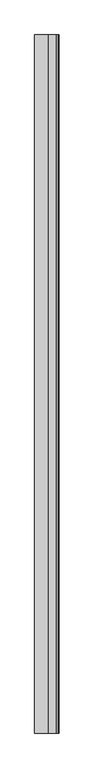
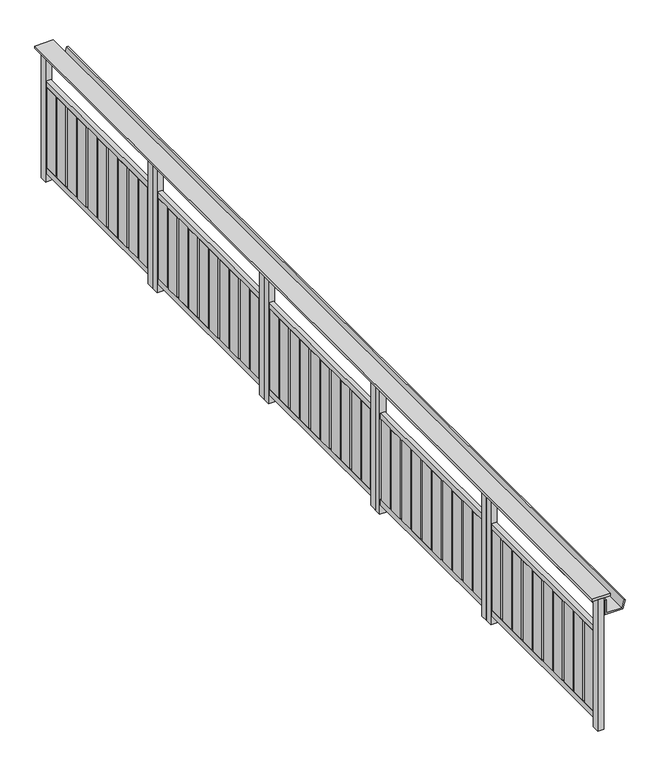
"""IFC4 building model written with IfcOpenShell, lengths in millimetres: railing geometry."""

from ifc_helpers import new_model, si_unit, point, frame, frame_2d, origin, origin_with_axes, place, context, project, spatial, polyline, circle_curve, trimmed, segment, composite_curve, outline, extrude, source, transform, mapped, element, save


def railing_12201088(model_context):
    return source(origin(), model_context, "Body", "SweptSolid", [
        extrude(outline(polyline([(3720.5303378, -25760.8033767), (3600.5303378, -25760.8033767), (3600.5303378, -19510.8033767), (3720.5303378, -19510.8033767), (3720.5303378, -25760.8033767)])), frame((0.0, 0.0, 899.8828423), z_axis=(0.0, 0.0, 1.0), x_axis=(1.0, 0.0, 0.0)), (0.0, 0.0, 1.0), 15.1171577),
        extrude(outline(polyline([(780.0, 3685.5303378), (780.0, 3802.7382617), (836.340031, 3817.8345275), (838.9282214, 3808.1752692), (790.0, 3795.0649918), (790.0, 3695.5303378), (880.0, 3695.5303378), (880.0, 3685.5303378), (780.0, 3685.5303378)])), frame((0.0, -25760.8033767, 0.0), z_axis=(0.0, 1.0, 0.0), x_axis=(0.0, 0.0, 1.0)), (0.0, 0.0, 1.0), 6250.0),
        extrude(outline(composite_curve([segment(polyline([(3645.5303378, -20605.8090604), (3664.3686376, -20605.8090604)]), True, "CONTINUOUS"), segment(trimmed(circle_curve(frame_2d((3788.844032, -20653.3094156)), 133.2306554), [point((3664.3686376, -20605.8090604))], [point((3664.3686376, -20700.8097709))], True, "CARTESIAN"), True, "CONTINUOUS"), segment(polyline([(3664.3686376, -20700.8097709), (3645.5303378, -20700.8097709), (3645.5303378, -20605.8090604)]), True, "CONTINUOUS")], self_intersect=False)), frame((0.0, 0.0, 100.0), z_axis=(0.0, 0.0, 1.0), x_axis=(1.0, 0.0, 0.0)), (0.0, 0.0, 1.0), 550.0),
        extrude(outline(composite_curve([segment(polyline([(3645.5303378, -20375.8076395), (3664.3686376, -20375.8076395)]), True, "CONTINUOUS"), segment(trimmed(circle_curve(frame_2d((3788.844032, -20423.3079947)), 133.2306554), [point((3664.3686376, -20375.8076395))], [point((3664.3686376, -20470.8083499))], True, "CARTESIAN"), True, "CONTINUOUS"), segment(polyline([(3664.3686376, -20470.8083499), (3645.5303378, -20470.8083499), (3645.5303378, -20375.8076395)]), True, "CONTINUOUS")], self_intersect=False)), frame((0.0, 0.0, 100.0), z_axis=(0.0, 0.0, 1.0), x_axis=(1.0, 0.0, 0.0)), (0.0, 0.0, 1.0), 550.0),
        extrude(outline(composite_curve([segment(polyline([(3645.5303378, -20145.8062185), (3664.3686376, -20145.8062185)]), True, "CONTINUOUS"), segment(trimmed(circle_curve(frame_2d((3788.844032, -20193.3065738)), 133.2306554), [point((3664.3686376, -20145.8062185))], [point((3664.3686376, -20240.806929))], True, "CARTESIAN"), True, "CONTINUOUS"), segment(polyline([(3664.3686376, -20240.806929), (3645.5303378, -20240.806929), (3645.5303378, -20145.8062185)]), True, "CONTINUOUS")], self_intersect=False)), frame((0.0, 0.0, 100.0), z_axis=(0.0, 0.0, 1.0), x_axis=(1.0, 0.0, 0.0)), (0.0, 0.0, 1.0), 550.0),
        extrude(outline(composite_curve([segment(polyline([(3645.5303378, -19915.8047976), (3664.3686376, -19915.8047976)]), True, "CONTINUOUS"), segment(trimmed(circle_curve(frame_2d((3788.844032, -19963.3051528)), 133.2306554), [point((3664.3686376, -19915.8047976))], [point((3664.3686376, -20010.8055081))], True, "CARTESIAN"), True, "CONTINUOUS"), segment(polyline([(3664.3686376, -20010.8055081), (3645.5303378, -20010.8055081), (3645.5303378, -19915.8047976)]), True, "CONTINUOUS")], self_intersect=False)), frame((0.0, 0.0, 100.0), z_axis=(0.0, 0.0, 1.0), x_axis=(1.0, 0.0, 0.0)), (0.0, 0.0, 1.0), 550.0),
        extrude(outline(composite_curve([segment(polyline([(3645.5303378, -19685.8033767), (3664.3686376, -19685.8033767)]), True, "CONTINUOUS"), segment(trimmed(circle_curve(frame_2d((3788.844032, -19733.3037319)), 133.2306554), [point((3664.3686376, -19685.8033767))], [point((3664.3686376, -19780.8040871))], True, "CARTESIAN"), True, "CONTINUOUS"), segment(polyline([(3664.3686376, -19780.8040871), (3645.5303378, -19780.8040871), (3645.5303378, -19685.8033767)]), True, "CONTINUOUS")], self_intersect=False)), frame((0.0, 0.0, 100.0), z_axis=(0.0, 0.0, 1.0), x_axis=(1.0, 0.0, 0.0)), (0.0, 0.0, 1.0), 550.0),
        extrude(outline(composite_curve([segment(polyline([(3645.5303378, -20490.8083499), (3664.3686376, -20490.8083499)]), True, "CONTINUOUS"), segment(trimmed(circle_curve(frame_2d((3788.844032, -20538.3087052)), 133.2306554), [point((3664.3686376, -20490.8083499))], [point((3664.3686376, -20585.8090604))], True, "CARTESIAN"), True, "CONTINUOUS"), segment(polyline([(3664.3686376, -20585.8090604), (3645.5303378, -20585.8090604), (3645.5303378, -20490.8083499)]), True, "CONTINUOUS")], self_intersect=False)), frame((0.0, 0.0, 100.0), z_axis=(0.0, 0.0, 1.0), x_axis=(1.0, 0.0, 0.0)), (0.0, 0.0, 1.0), 550.0),
        extrude(outline(composite_curve([segment(polyline([(3645.5303378, -20260.806929), (3664.3686376, -20260.806929)]), True, "CONTINUOUS"), segment(trimmed(circle_curve(frame_2d((3788.844032, -20308.3072842)), 133.2306554), [point((3664.3686376, -20260.806929))], [point((3664.3686376, -20355.8076395))], True, "CARTESIAN"), True, "CONTINUOUS"), segment(polyline([(3664.3686376, -20355.8076395), (3645.5303378, -20355.8076395), (3645.5303378, -20260.806929)]), True, "CONTINUOUS")], self_intersect=False)), frame((0.0, 0.0, 100.0), z_axis=(0.0, 0.0, 1.0), x_axis=(1.0, 0.0, 0.0)), (0.0, 0.0, 1.0), 550.0),
        extrude(outline(composite_curve([segment(polyline([(3645.5303378, -20030.8055081), (3664.3686376, -20030.8055081)]), True, "CONTINUOUS"), segment(trimmed(circle_curve(frame_2d((3788.844032, -20078.3058633)), 133.2306554), [point((3664.3686376, -20030.8055081))], [point((3664.3686376, -20125.8062185))], True, "CARTESIAN"), True, "CONTINUOUS"), segment(polyline([(3664.3686376, -20125.8062185), (3645.5303378, -20125.8062185), (3645.5303378, -20030.8055081)]), True, "CONTINUOUS")], self_intersect=False)), frame((0.0, 0.0, 100.0), z_axis=(0.0, 0.0, 1.0), x_axis=(1.0, 0.0, 0.0)), (0.0, 0.0, 1.0), 550.0),
        extrude(outline(composite_curve([segment(polyline([(3645.5303378, -19800.8040871), (3664.3686376, -19800.8040871)]), True, "CONTINUOUS"), segment(trimmed(circle_curve(frame_2d((3788.844032, -19848.3044424)), 133.2306554), [point((3664.3686376, -19800.8040871))], [point((3664.3686376, -19895.8047976))], True, "CARTESIAN"), True, "CONTINUOUS"), segment(polyline([(3664.3686376, -19895.8047976), (3645.5303378, -19895.8047976), (3645.5303378, -19800.8040871)]), True, "CONTINUOUS")], self_intersect=False)), frame((0.0, 0.0, 100.0), z_axis=(0.0, 0.0, 1.0), x_axis=(1.0, 0.0, 0.0)), (0.0, 0.0, 1.0), 550.0),
        extrude(outline(composite_curve([segment(polyline([(3645.5303378, -19570.8026662), (3664.3686376, -19570.8026662)]), True, "CONTINUOUS"), segment(trimmed(circle_curve(frame_2d((3788.844032, -19618.3030214)), 133.2306554), [point((3664.3686376, -19570.8026662))], [point((3664.3686376, -19665.8033767))], True, "CARTESIAN"), True, "CONTINUOUS"), segment(polyline([(3664.3686376, -19665.8033767), (3645.5303378, -19665.8033767), (3645.5303378, -19570.8026662)]), True, "CONTINUOUS")], self_intersect=False)), frame((0.0, 0.0, 100.0), z_axis=(0.0, 0.0, 1.0), x_axis=(1.0, 0.0, 0.0)), (0.0, 0.0, 1.0), 550.0),
        extrude(outline(polyline([(3675.5303378, -19560.8026662), (3675.5303378, -20710.8030382), (3645.5303378, -20710.8030382), (3645.5303378, -19560.8026662), (3675.5303378, -19560.8026662)])), frame((0.0, 0.0, 649.9990226), z_axis=(0.0, 0.0, 1.0), x_axis=(1.0, 0.0, 0.0)), (0.0, 0.0, 1.0), 40.0009774),
        extrude(outline(polyline([(3675.5303378, -19560.8026662), (3675.5303378, -20710.8030382), (3645.5303378, -20710.8030382), (3645.5303378, -19560.8026662), (3675.5303378, -19560.8026662)])), frame((0.0, 0.0, 60.0), z_axis=(0.0, 0.0, 1.0), x_axis=(1.0, 0.0, 0.0)), (0.0, 0.0, 1.0), 40.0),
        extrude(outline(polyline([(3680.5303378, -19510.8033767), (3680.5303378, -19560.8033767), (3640.5303378, -19560.8033767), (3640.5303378, -19510.8033767), (3680.5303378, -19510.8033767)])), origin_with_axes(), (0.0, 0.0, 1.0), 900.0),
        extrude(outline(polyline([(3680.5303378, -20710.8030382), (3680.5303378, -20760.8030382), (3640.5303378, -20760.8030382), (3640.5303378, -20710.8030382), (3680.5303378, -20710.8030382)])), origin_with_axes(), (0.0, 0.0, 1.0), 900.0),
        extrude(outline(composite_curve([segment(polyline([(3645.5303378, -21856.8090604), (3664.3686376, -21856.8090604)]), True, "CONTINUOUS"), segment(trimmed(circle_curve(frame_2d((3788.844032, -21904.3094156)), 133.2306554), [point((3664.3686376, -21856.8090604))], [point((3664.3686376, -21951.8097709))], True, "CARTESIAN"), True, "CONTINUOUS"), segment(polyline([(3664.3686376, -21951.8097709), (3645.5303378, -21951.8097709), (3645.5303378, -21856.8090604)]), True, "CONTINUOUS")], self_intersect=False)), frame((0.0, 0.0, 100.0), z_axis=(0.0, 0.0, 1.0), x_axis=(1.0, 0.0, 0.0)), (0.0, 0.0, 1.0), 550.0),
        extrude(outline(composite_curve([segment(polyline([(3645.5303378, -21626.8076395), (3664.3686376, -21626.8076395)]), True, "CONTINUOUS"), segment(trimmed(circle_curve(frame_2d((3788.844032, -21674.3079947)), 133.2306554), [point((3664.3686376, -21626.8076395))], [point((3664.3686376, -21721.8083499))], True, "CARTESIAN"), True, "CONTINUOUS"), segment(polyline([(3664.3686376, -21721.8083499), (3645.5303378, -21721.8083499), (3645.5303378, -21626.8076395)]), True, "CONTINUOUS")], self_intersect=False)), frame((0.0, 0.0, 100.0), z_axis=(0.0, 0.0, 1.0), x_axis=(1.0, 0.0, 0.0)), (0.0, 0.0, 1.0), 550.0),
        extrude(outline(composite_curve([segment(polyline([(3645.5303378, -21396.8062185), (3664.3686376, -21396.8062185)]), True, "CONTINUOUS"), segment(trimmed(circle_curve(frame_2d((3788.844032, -21444.3065738)), 133.2306554), [point((3664.3686376, -21396.8062185))], [point((3664.3686376, -21491.806929))], True, "CARTESIAN"), True, "CONTINUOUS"), segment(polyline([(3664.3686376, -21491.806929), (3645.5303378, -21491.806929), (3645.5303378, -21396.8062185)]), True, "CONTINUOUS")], self_intersect=False)), frame((0.0, 0.0, 100.0), z_axis=(0.0, 0.0, 1.0), x_axis=(1.0, 0.0, 0.0)), (0.0, 0.0, 1.0), 550.0),
        extrude(outline(composite_curve([segment(polyline([(3645.5303378, -21166.8047976), (3664.3686376, -21166.8047976)]), True, "CONTINUOUS"), segment(trimmed(circle_curve(frame_2d((3788.844032, -21214.3051528)), 133.2306554), [point((3664.3686376, -21166.8047976))], [point((3664.3686376, -21261.8055081))], True, "CARTESIAN"), True, "CONTINUOUS"), segment(polyline([(3664.3686376, -21261.8055081), (3645.5303378, -21261.8055081), (3645.5303378, -21166.8047976)]), True, "CONTINUOUS")], self_intersect=False)), frame((0.0, 0.0, 100.0), z_axis=(0.0, 0.0, 1.0), x_axis=(1.0, 0.0, 0.0)), (0.0, 0.0, 1.0), 550.0),
        extrude(outline(composite_curve([segment(polyline([(3645.5303378, -20936.8033767), (3664.3686376, -20936.8033767)]), True, "CONTINUOUS"), segment(trimmed(circle_curve(frame_2d((3788.844032, -20984.3037319)), 133.2306554), [point((3664.3686376, -20936.8033767))], [point((3664.3686376, -21031.8040871))], True, "CARTESIAN"), True, "CONTINUOUS"), segment(polyline([(3664.3686376, -21031.8040871), (3645.5303378, -21031.8040871), (3645.5303378, -20936.8033767)]), True, "CONTINUOUS")], self_intersect=False)), frame((0.0, 0.0, 100.0), z_axis=(0.0, 0.0, 1.0), x_axis=(1.0, 0.0, 0.0)), (0.0, 0.0, 1.0), 550.0),
        extrude(outline(composite_curve([segment(polyline([(3645.5303378, -21741.8083499), (3664.3686376, -21741.8083499)]), True, "CONTINUOUS"), segment(trimmed(circle_curve(frame_2d((3788.844032, -21789.3087052)), 133.2306554), [point((3664.3686376, -21741.8083499))], [point((3664.3686376, -21836.8090604))], True, "CARTESIAN"), True, "CONTINUOUS"), segment(polyline([(3664.3686376, -21836.8090604), (3645.5303378, -21836.8090604), (3645.5303378, -21741.8083499)]), True, "CONTINUOUS")], self_intersect=False)), frame((0.0, 0.0, 100.0), z_axis=(0.0, 0.0, 1.0), x_axis=(1.0, 0.0, 0.0)), (0.0, 0.0, 1.0), 550.0),
        extrude(outline(composite_curve([segment(polyline([(3645.5303378, -21511.806929), (3664.3686376, -21511.806929)]), True, "CONTINUOUS"), segment(trimmed(circle_curve(frame_2d((3788.844032, -21559.3072842)), 133.2306554), [point((3664.3686376, -21511.806929))], [point((3664.3686376, -21606.8076395))], True, "CARTESIAN"), True, "CONTINUOUS"), segment(polyline([(3664.3686376, -21606.8076395), (3645.5303378, -21606.8076395), (3645.5303378, -21511.806929)]), True, "CONTINUOUS")], self_intersect=False)), frame((0.0, 0.0, 100.0), z_axis=(0.0, 0.0, 1.0), x_axis=(1.0, 0.0, 0.0)), (0.0, 0.0, 1.0), 550.0),
        extrude(outline(composite_curve([segment(polyline([(3645.5303378, -21281.8055081), (3664.3686376, -21281.8055081)]), True, "CONTINUOUS"), segment(trimmed(circle_curve(frame_2d((3788.844032, -21329.3058633)), 133.2306554), [point((3664.3686376, -21281.8055081))], [point((3664.3686376, -21376.8062185))], True, "CARTESIAN"), True, "CONTINUOUS"), segment(polyline([(3664.3686376, -21376.8062185), (3645.5303378, -21376.8062185), (3645.5303378, -21281.8055081)]), True, "CONTINUOUS")], self_intersect=False)), frame((0.0, 0.0, 100.0), z_axis=(0.0, 0.0, 1.0), x_axis=(1.0, 0.0, 0.0)), (0.0, 0.0, 1.0), 550.0),
        extrude(outline(composite_curve([segment(polyline([(3645.5303378, -21051.8040871), (3664.3686376, -21051.8040871)]), True, "CONTINUOUS"), segment(trimmed(circle_curve(frame_2d((3788.844032, -21099.3044424)), 133.2306554), [point((3664.3686376, -21051.8040871))], [point((3664.3686376, -21146.8047976))], True, "CARTESIAN"), True, "CONTINUOUS"), segment(polyline([(3664.3686376, -21146.8047976), (3645.5303378, -21146.8047976), (3645.5303378, -21051.8040871)]), True, "CONTINUOUS")], self_intersect=False)), frame((0.0, 0.0, 100.0), z_axis=(0.0, 0.0, 1.0), x_axis=(1.0, 0.0, 0.0)), (0.0, 0.0, 1.0), 550.0),
        extrude(outline(composite_curve([segment(polyline([(3645.5303378, -20821.8026662), (3664.3686376, -20821.8026662)]), True, "CONTINUOUS"), segment(trimmed(circle_curve(frame_2d((3788.844032, -20869.3030214)), 133.2306554), [point((3664.3686376, -20821.8026662))], [point((3664.3686376, -20916.8033767))], True, "CARTESIAN"), True, "CONTINUOUS"), segment(polyline([(3664.3686376, -20916.8033767), (3645.5303378, -20916.8033767), (3645.5303378, -20821.8026662)]), True, "CONTINUOUS")], self_intersect=False)), frame((0.0, 0.0, 100.0), z_axis=(0.0, 0.0, 1.0), x_axis=(1.0, 0.0, 0.0)), (0.0, 0.0, 1.0), 550.0),
        extrude(outline(polyline([(3675.5303378, -20811.8026662), (3675.5303378, -21961.8030382), (3645.5303378, -21961.8030382), (3645.5303378, -20811.8026662), (3675.5303378, -20811.8026662)])), frame((0.0, 0.0, 649.9990226), z_axis=(0.0, 0.0, 1.0), x_axis=(1.0, 0.0, 0.0)), (0.0, 0.0, 1.0), 40.0009774),
        extrude(outline(polyline([(3675.5303378, -20811.8026662), (3675.5303378, -21961.8030382), (3645.5303378, -21961.8030382), (3645.5303378, -20811.8026662), (3675.5303378, -20811.8026662)])), frame((0.0, 0.0, 60.0), z_axis=(0.0, 0.0, 1.0), x_axis=(1.0, 0.0, 0.0)), (0.0, 0.0, 1.0), 40.0),
        extrude(outline(polyline([(3680.5303378, -20761.8033767), (3680.5303378, -20811.8033767), (3640.5303378, -20811.8033767), (3640.5303378, -20761.8033767), (3680.5303378, -20761.8033767)])), origin_with_axes(), (0.0, 0.0, 1.0), 900.0),
        extrude(outline(polyline([(3680.5303378, -21961.8030382), (3680.5303378, -22011.8030382), (3640.5303378, -22011.8030382), (3640.5303378, -21961.8030382), (3680.5303378, -21961.8030382)])), origin_with_axes(), (0.0, 0.0, 1.0), 900.0),
        extrude(outline(composite_curve([segment(polyline([(3645.5303378, -23107.8090604), (3664.3686376, -23107.8090604)]), True, "CONTINUOUS"), segment(trimmed(circle_curve(frame_2d((3788.844032, -23155.3094156)), 133.2306554), [point((3664.3686376, -23107.8090604))], [point((3664.3686376, -23202.8097709))], True, "CARTESIAN"), True, "CONTINUOUS"), segment(polyline([(3664.3686376, -23202.8097709), (3645.5303378, -23202.8097709), (3645.5303378, -23107.8090604)]), True, "CONTINUOUS")], self_intersect=False)), frame((0.0, 0.0, 100.0), z_axis=(0.0, 0.0, 1.0), x_axis=(1.0, 0.0, 0.0)), (0.0, 0.0, 1.0), 550.0),
        extrude(outline(composite_curve([segment(polyline([(3645.5303378, -22877.8076395), (3664.3686376, -22877.8076395)]), True, "CONTINUOUS"), segment(trimmed(circle_curve(frame_2d((3788.844032, -22925.3079947)), 133.2306554), [point((3664.3686376, -22877.8076395))], [point((3664.3686376, -22972.8083499))], True, "CARTESIAN"), True, "CONTINUOUS"), segment(polyline([(3664.3686376, -22972.8083499), (3645.5303378, -22972.8083499), (3645.5303378, -22877.8076395)]), True, "CONTINUOUS")], self_intersect=False)), frame((0.0, 0.0, 100.0), z_axis=(0.0, 0.0, 1.0), x_axis=(1.0, 0.0, 0.0)), (0.0, 0.0, 1.0), 550.0),
        extrude(outline(composite_curve([segment(polyline([(3645.5303378, -22647.8062185), (3664.3686376, -22647.8062185)]), True, "CONTINUOUS"), segment(trimmed(circle_curve(frame_2d((3788.844032, -22695.3065738)), 133.2306554), [point((3664.3686376, -22647.8062185))], [point((3664.3686376, -22742.806929))], True, "CARTESIAN"), True, "CONTINUOUS"), segment(polyline([(3664.3686376, -22742.806929), (3645.5303378, -22742.806929), (3645.5303378, -22647.8062185)]), True, "CONTINUOUS")], self_intersect=False)), frame((0.0, 0.0, 100.0), z_axis=(0.0, 0.0, 1.0), x_axis=(1.0, 0.0, 0.0)), (0.0, 0.0, 1.0), 550.0),
        extrude(outline(composite_curve([segment(polyline([(3645.5303378, -22417.8047976), (3664.3686376, -22417.8047976)]), True, "CONTINUOUS"), segment(trimmed(circle_curve(frame_2d((3788.844032, -22465.3051528)), 133.2306554), [point((3664.3686376, -22417.8047976))], [point((3664.3686376, -22512.8055081))], True, "CARTESIAN"), True, "CONTINUOUS"), segment(polyline([(3664.3686376, -22512.8055081), (3645.5303378, -22512.8055081), (3645.5303378, -22417.8047976)]), True, "CONTINUOUS")], self_intersect=False)), frame((0.0, 0.0, 100.0), z_axis=(0.0, 0.0, 1.0), x_axis=(1.0, 0.0, 0.0)), (0.0, 0.0, 1.0), 550.0),
        extrude(outline(composite_curve([segment(polyline([(3645.5303378, -22187.8033767), (3664.3686376, -22187.8033767)]), True, "CONTINUOUS"), segment(trimmed(circle_curve(frame_2d((3788.844032, -22235.3037319)), 133.2306554), [point((3664.3686376, -22187.8033767))], [point((3664.3686376, -22282.8040871))], True, "CARTESIAN"), True, "CONTINUOUS"), segment(polyline([(3664.3686376, -22282.8040871), (3645.5303378, -22282.8040871), (3645.5303378, -22187.8033767)]), True, "CONTINUOUS")], self_intersect=False)), frame((0.0, 0.0, 100.0), z_axis=(0.0, 0.0, 1.0), x_axis=(1.0, 0.0, 0.0)), (0.0, 0.0, 1.0), 550.0),
        extrude(outline(composite_curve([segment(polyline([(3645.5303378, -22992.8083499), (3664.3686376, -22992.8083499)]), True, "CONTINUOUS"), segment(trimmed(circle_curve(frame_2d((3788.844032, -23040.3087052)), 133.2306554), [point((3664.3686376, -22992.8083499))], [point((3664.3686376, -23087.8090604))], True, "CARTESIAN"), True, "CONTINUOUS"), segment(polyline([(3664.3686376, -23087.8090604), (3645.5303378, -23087.8090604), (3645.5303378, -22992.8083499)]), True, "CONTINUOUS")], self_intersect=False)), frame((0.0, 0.0, 100.0), z_axis=(0.0, 0.0, 1.0), x_axis=(1.0, 0.0, 0.0)), (0.0, 0.0, 1.0), 550.0),
        extrude(outline(composite_curve([segment(polyline([(3645.5303378, -22762.806929), (3664.3686376, -22762.806929)]), True, "CONTINUOUS"), segment(trimmed(circle_curve(frame_2d((3788.844032, -22810.3072842)), 133.2306554), [point((3664.3686376, -22762.806929))], [point((3664.3686376, -22857.8076395))], True, "CARTESIAN"), True, "CONTINUOUS"), segment(polyline([(3664.3686376, -22857.8076395), (3645.5303378, -22857.8076395), (3645.5303378, -22762.806929)]), True, "CONTINUOUS")], self_intersect=False)), frame((0.0, 0.0, 100.0), z_axis=(0.0, 0.0, 1.0), x_axis=(1.0, 0.0, 0.0)), (0.0, 0.0, 1.0), 550.0),
        extrude(outline(composite_curve([segment(polyline([(3645.5303378, -22532.8055081), (3664.3686376, -22532.8055081)]), True, "CONTINUOUS"), segment(trimmed(circle_curve(frame_2d((3788.844032, -22580.3058633)), 133.2306554), [point((3664.3686376, -22532.8055081))], [point((3664.3686376, -22627.8062185))], True, "CARTESIAN"), True, "CONTINUOUS"), segment(polyline([(3664.3686376, -22627.8062185), (3645.5303378, -22627.8062185), (3645.5303378, -22532.8055081)]), True, "CONTINUOUS")], self_intersect=False)), frame((0.0, 0.0, 100.0), z_axis=(0.0, 0.0, 1.0), x_axis=(1.0, 0.0, 0.0)), (0.0, 0.0, 1.0), 550.0),
        extrude(outline(composite_curve([segment(polyline([(3645.5303378, -22302.8040871), (3664.3686376, -22302.8040871)]), True, "CONTINUOUS"), segment(trimmed(circle_curve(frame_2d((3788.844032, -22350.3044424)), 133.2306554), [point((3664.3686376, -22302.8040871))], [point((3664.3686376, -22397.8047976))], True, "CARTESIAN"), True, "CONTINUOUS"), segment(polyline([(3664.3686376, -22397.8047976), (3645.5303378, -22397.8047976), (3645.5303378, -22302.8040871)]), True, "CONTINUOUS")], self_intersect=False)), frame((0.0, 0.0, 100.0), z_axis=(0.0, 0.0, 1.0), x_axis=(1.0, 0.0, 0.0)), (0.0, 0.0, 1.0), 550.0),
        extrude(outline(composite_curve([segment(polyline([(3645.5303378, -22072.8026662), (3664.3686376, -22072.8026662)]), True, "CONTINUOUS"), segment(trimmed(circle_curve(frame_2d((3788.844032, -22120.3030214)), 133.2306554), [point((3664.3686376, -22072.8026662))], [point((3664.3686376, -22167.8033767))], True, "CARTESIAN"), True, "CONTINUOUS"), segment(polyline([(3664.3686376, -22167.8033767), (3645.5303378, -22167.8033767), (3645.5303378, -22072.8026662)]), True, "CONTINUOUS")], self_intersect=False)), frame((0.0, 0.0, 100.0), z_axis=(0.0, 0.0, 1.0), x_axis=(1.0, 0.0, 0.0)), (0.0, 0.0, 1.0), 550.0),
        extrude(outline(polyline([(3675.5303378, -22062.8026662), (3675.5303378, -23212.8030382), (3645.5303378, -23212.8030382), (3645.5303378, -22062.8026662), (3675.5303378, -22062.8026662)])), frame((0.0, 0.0, 649.9990226), z_axis=(0.0, 0.0, 1.0), x_axis=(1.0, 0.0, 0.0)), (0.0, 0.0, 1.0), 40.0009774),
        extrude(outline(polyline([(3675.5303378, -22062.8026662), (3675.5303378, -23212.8030382), (3645.5303378, -23212.8030382), (3645.5303378, -22062.8026662), (3675.5303378, -22062.8026662)])), frame((0.0, 0.0, 60.0), z_axis=(0.0, 0.0, 1.0), x_axis=(1.0, 0.0, 0.0)), (0.0, 0.0, 1.0), 40.0),
        extrude(outline(polyline([(3680.5303378, -22012.8033767), (3680.5303378, -22062.8033767), (3640.5303378, -22062.8033767), (3640.5303378, -22012.8033767), (3680.5303378, -22012.8033767)])), origin_with_axes(), (0.0, 0.0, 1.0), 900.0),
        extrude(outline(polyline([(3680.5303378, -23212.8030382), (3680.5303378, -23262.8030382), (3640.5303378, -23262.8030382), (3640.5303378, -23212.8030382), (3680.5303378, -23212.8030382)])), origin_with_axes(), (0.0, 0.0, 1.0), 900.0),
        extrude(outline(composite_curve([segment(polyline([(3645.5303378, -24356.8092296), (3664.3686376, -24356.8092296)]), True, "CONTINUOUS"), segment(trimmed(circle_curve(frame_2d((3788.844032, -24404.3095849)), 133.2306554), [point((3664.3686376, -24356.8092296))], [point((3664.3686376, -24451.8099401))], True, "CARTESIAN"), True, "CONTINUOUS"), segment(polyline([(3664.3686376, -24451.8099401), (3645.5303378, -24451.8099401), (3645.5303378, -24356.8092296)]), True, "CONTINUOUS")], self_intersect=False)), frame((0.0, 0.0, 100.0), z_axis=(0.0, 0.0, 1.0), x_axis=(1.0, 0.0, 0.0)), (0.0, 0.0, 1.0), 550.0),
        extrude(outline(composite_curve([segment(polyline([(3645.5303378, -24126.8078087), (3664.3686376, -24126.8078087)]), True, "CONTINUOUS"), segment(trimmed(circle_curve(frame_2d((3788.844032, -24174.3081639)), 133.2306554), [point((3664.3686376, -24126.8078087))], [point((3664.3686376, -24221.8085192))], True, "CARTESIAN"), True, "CONTINUOUS"), segment(polyline([(3664.3686376, -24221.8085192), (3645.5303378, -24221.8085192), (3645.5303378, -24126.8078087)]), True, "CONTINUOUS")], self_intersect=False)), frame((0.0, 0.0, 100.0), z_axis=(0.0, 0.0, 1.0), x_axis=(1.0, 0.0, 0.0)), (0.0, 0.0, 1.0), 550.0),
        extrude(outline(composite_curve([segment(polyline([(3645.5303378, -23896.8063878), (3664.3686376, -23896.8063878)]), True, "CONTINUOUS"), segment(trimmed(circle_curve(frame_2d((3788.844032, -23944.306743)), 133.2306554), [point((3664.3686376, -23896.8063878))], [point((3664.3686376, -23991.8070982))], True, "CARTESIAN"), True, "CONTINUOUS"), segment(polyline([(3664.3686376, -23991.8070982), (3645.5303378, -23991.8070982), (3645.5303378, -23896.8063878)]), True, "CONTINUOUS")], self_intersect=False)), frame((0.0, 0.0, 100.0), z_axis=(0.0, 0.0, 1.0), x_axis=(1.0, 0.0, 0.0)), (0.0, 0.0, 1.0), 550.0),
        extrude(outline(composite_curve([segment(polyline([(3645.5303378, -23666.8049668), (3664.3686376, -23666.8049668)]), True, "CONTINUOUS"), segment(trimmed(circle_curve(frame_2d((3788.844032, -23714.3053221)), 133.2306554), [point((3664.3686376, -23666.8049668))], [point((3664.3686376, -23761.8056773))], True, "CARTESIAN"), True, "CONTINUOUS"), segment(polyline([(3664.3686376, -23761.8056773), (3645.5303378, -23761.8056773), (3645.5303378, -23666.8049668)]), True, "CONTINUOUS")], self_intersect=False)), frame((0.0, 0.0, 100.0), z_axis=(0.0, 0.0, 1.0), x_axis=(1.0, 0.0, 0.0)), (0.0, 0.0, 1.0), 550.0),
        extrude(outline(composite_curve([segment(polyline([(3645.5303378, -23436.8035459), (3664.3686376, -23436.8035459)]), True, "CONTINUOUS"), segment(trimmed(circle_curve(frame_2d((3788.844032, -23484.3039012)), 133.2306554), [point((3664.3686376, -23436.8035459))], [point((3664.3686376, -23531.8042564))], True, "CARTESIAN"), True, "CONTINUOUS"), segment(polyline([(3664.3686376, -23531.8042564), (3645.5303378, -23531.8042564), (3645.5303378, -23436.8035459)]), True, "CONTINUOUS")], self_intersect=False)), frame((0.0, 0.0, 100.0), z_axis=(0.0, 0.0, 1.0), x_axis=(1.0, 0.0, 0.0)), (0.0, 0.0, 1.0), 550.0),
        extrude(outline(composite_curve([segment(polyline([(3645.5303378, -24241.8085192), (3664.3686376, -24241.8085192)]), True, "CONTINUOUS"), segment(trimmed(circle_curve(frame_2d((3788.844032, -24289.3088744)), 133.2306554), [point((3664.3686376, -24241.8085192))], [point((3664.3686376, -24336.8092296))], True, "CARTESIAN"), True, "CONTINUOUS"), segment(polyline([(3664.3686376, -24336.8092296), (3645.5303378, -24336.8092296), (3645.5303378, -24241.8085192)]), True, "CONTINUOUS")], self_intersect=False)), frame((0.0, 0.0, 100.0), z_axis=(0.0, 0.0, 1.0), x_axis=(1.0, 0.0, 0.0)), (0.0, 0.0, 1.0), 550.0),
        extrude(outline(composite_curve([segment(polyline([(3645.5303378, -24011.8070982), (3664.3686376, -24011.8070982)]), True, "CONTINUOUS"), segment(trimmed(circle_curve(frame_2d((3788.844032, -24059.3074535)), 133.2306554), [point((3664.3686376, -24011.8070982))], [point((3664.3686376, -24106.8078087))], True, "CARTESIAN"), True, "CONTINUOUS"), segment(polyline([(3664.3686376, -24106.8078087), (3645.5303378, -24106.8078087), (3645.5303378, -24011.8070982)]), True, "CONTINUOUS")], self_intersect=False)), frame((0.0, 0.0, 100.0), z_axis=(0.0, 0.0, 1.0), x_axis=(1.0, 0.0, 0.0)), (0.0, 0.0, 1.0), 550.0),
        extrude(outline(composite_curve([segment(polyline([(3645.5303378, -23781.8056773), (3664.3686376, -23781.8056773)]), True, "CONTINUOUS"), segment(trimmed(circle_curve(frame_2d((3788.844032, -23829.3060325)), 133.2306554), [point((3664.3686376, -23781.8056773))], [point((3664.3686376, -23876.8063878))], True, "CARTESIAN"), True, "CONTINUOUS"), segment(polyline([(3664.3686376, -23876.8063878), (3645.5303378, -23876.8063878), (3645.5303378, -23781.8056773)]), True, "CONTINUOUS")], self_intersect=False)), frame((0.0, 0.0, 100.0), z_axis=(0.0, 0.0, 1.0), x_axis=(1.0, 0.0, 0.0)), (0.0, 0.0, 1.0), 550.0),
        extrude(outline(composite_curve([segment(polyline([(3645.5303378, -23551.8042564), (3664.3686376, -23551.8042564)]), True, "CONTINUOUS"), segment(trimmed(circle_curve(frame_2d((3788.844032, -23599.3046116)), 133.2306554), [point((3664.3686376, -23551.8042564))], [point((3664.3686376, -23646.8049668))], True, "CARTESIAN"), True, "CONTINUOUS"), segment(polyline([(3664.3686376, -23646.8049668), (3645.5303378, -23646.8049668), (3645.5303378, -23551.8042564)]), True, "CONTINUOUS")], self_intersect=False)), frame((0.0, 0.0, 100.0), z_axis=(0.0, 0.0, 1.0), x_axis=(1.0, 0.0, 0.0)), (0.0, 0.0, 1.0), 550.0),
        extrude(outline(composite_curve([segment(polyline([(3645.5303378, -23321.8028355), (3664.3686376, -23321.8028355)]), True, "CONTINUOUS"), segment(trimmed(circle_curve(frame_2d((3788.844032, -23369.3031907)), 133.2306554), [point((3664.3686376, -23321.8028355))], [point((3664.3686376, -23416.8035459))], True, "CARTESIAN"), True, "CONTINUOUS"), segment(polyline([(3664.3686376, -23416.8035459), (3645.5303378, -23416.8035459), (3645.5303378, -23321.8028355)]), True, "CONTINUOUS")], self_intersect=False)), frame((0.0, 0.0, 100.0), z_axis=(0.0, 0.0, 1.0), x_axis=(1.0, 0.0, 0.0)), (0.0, 0.0, 1.0), 550.0),
        extrude(outline(polyline([(3675.5303378, -23311.8028355), (3675.5303378, -24461.8032074), (3645.5303378, -24461.8032074), (3645.5303378, -23311.8028355), (3675.5303378, -23311.8028355)])), frame((0.0, 0.0, 649.9990226), z_axis=(0.0, 0.0, 1.0), x_axis=(1.0, 0.0, 0.0)), (0.0, 0.0, 1.0), 40.0009774),
        extrude(outline(polyline([(3675.5303378, -23311.8028355), (3675.5303378, -24461.8032074), (3645.5303378, -24461.8032074), (3645.5303378, -23311.8028355), (3675.5303378, -23311.8028355)])), frame((0.0, 0.0, 60.0), z_axis=(0.0, 0.0, 1.0), x_axis=(1.0, 0.0, 0.0)), (0.0, 0.0, 1.0), 40.0),
        extrude(outline(polyline([(3680.5303378, -23261.8035459), (3680.5303378, -23311.8035459), (3640.5303378, -23311.8035459), (3640.5303378, -23261.8035459), (3680.5303378, -23261.8035459)])), origin_with_axes(), (0.0, 0.0, 1.0), 900.0),
        extrude(outline(polyline([(3680.5303378, -24461.8032074), (3680.5303378, -24511.8032074), (3640.5303378, -24511.8032074), (3640.5303378, -24461.8032074), (3680.5303378, -24461.8032074)])), origin_with_axes(), (0.0, 0.0, 1.0), 900.0),
        extrude(outline(composite_curve([segment(polyline([(3645.5303378, -25605.8093989), (3664.3686376, -25605.8093989)]), True, "CONTINUOUS"), segment(trimmed(circle_curve(frame_2d((3788.844032, -25653.3097541)), 133.2306554), [point((3664.3686376, -25605.8093989))], [point((3664.3686376, -25700.8101094))], True, "CARTESIAN"), True, "CONTINUOUS"), segment(polyline([(3664.3686376, -25700.8101094), (3645.5303378, -25700.8101094), (3645.5303378, -25605.8093989)]), True, "CONTINUOUS")], self_intersect=False)), frame((0.0, 0.0, 100.0), z_axis=(0.0, 0.0, 1.0), x_axis=(1.0, 0.0, 0.0)), (0.0, 0.0, 1.0), 550.0),
        extrude(outline(composite_curve([segment(polyline([(3645.5303378, -25375.807978), (3664.3686376, -25375.807978)]), True, "CONTINUOUS"), segment(trimmed(circle_curve(frame_2d((3788.844032, -25423.3083332)), 133.2306554), [point((3664.3686376, -25375.807978))], [point((3664.3686376, -25470.8086884))], True, "CARTESIAN"), True, "CONTINUOUS"), segment(polyline([(3664.3686376, -25470.8086884), (3645.5303378, -25470.8086884), (3645.5303378, -25375.807978)]), True, "CONTINUOUS")], self_intersect=False)), frame((0.0, 0.0, 100.0), z_axis=(0.0, 0.0, 1.0), x_axis=(1.0, 0.0, 0.0)), (0.0, 0.0, 1.0), 550.0),
        extrude(outline(composite_curve([segment(polyline([(3645.5303378, -25145.806557), (3664.3686376, -25145.806557)]), True, "CONTINUOUS"), segment(trimmed(circle_curve(frame_2d((3788.844032, -25193.3069123)), 133.2306554), [point((3664.3686376, -25145.806557))], [point((3664.3686376, -25240.8072675))], True, "CARTESIAN"), True, "CONTINUOUS"), segment(polyline([(3664.3686376, -25240.8072675), (3645.5303378, -25240.8072675), (3645.5303378, -25145.806557)]), True, "CONTINUOUS")], self_intersect=False)), frame((0.0, 0.0, 100.0), z_axis=(0.0, 0.0, 1.0), x_axis=(1.0, 0.0, 0.0)), (0.0, 0.0, 1.0), 550.0),
        extrude(outline(composite_curve([segment(polyline([(3645.5303378, -24915.8051361), (3664.3686376, -24915.8051361)]), True, "CONTINUOUS"), segment(trimmed(circle_curve(frame_2d((3788.844032, -24963.3054913)), 133.2306554), [point((3664.3686376, -24915.8051361))], [point((3664.3686376, -25010.8058466))], True, "CARTESIAN"), True, "CONTINUOUS"), segment(polyline([(3664.3686376, -25010.8058466), (3645.5303378, -25010.8058466), (3645.5303378, -24915.8051361)]), True, "CONTINUOUS")], self_intersect=False)), frame((0.0, 0.0, 100.0), z_axis=(0.0, 0.0, 1.0), x_axis=(1.0, 0.0, 0.0)), (0.0, 0.0, 1.0), 550.0),
        extrude(outline(composite_curve([segment(polyline([(3645.5303378, -24685.8037152), (3664.3686376, -24685.8037152)]), True, "CONTINUOUS"), segment(trimmed(circle_curve(frame_2d((3788.844032, -24733.3040704)), 133.2306554), [point((3664.3686376, -24685.8037152))], [point((3664.3686376, -24780.8044256))], True, "CARTESIAN"), True, "CONTINUOUS"), segment(polyline([(3664.3686376, -24780.8044256), (3645.5303378, -24780.8044256), (3645.5303378, -24685.8037152)]), True, "CONTINUOUS")], self_intersect=False)), frame((0.0, 0.0, 100.0), z_axis=(0.0, 0.0, 1.0), x_axis=(1.0, 0.0, 0.0)), (0.0, 0.0, 1.0), 550.0),
        extrude(outline(composite_curve([segment(polyline([(3645.5303378, -25490.8086884), (3664.3686376, -25490.8086884)]), True, "CONTINUOUS"), segment(trimmed(circle_curve(frame_2d((3788.844032, -25538.3090437)), 133.2306554), [point((3664.3686376, -25490.8086884))], [point((3664.3686376, -25585.8093989))], True, "CARTESIAN"), True, "CONTINUOUS"), segment(polyline([(3664.3686376, -25585.8093989), (3645.5303378, -25585.8093989), (3645.5303378, -25490.8086884)]), True, "CONTINUOUS")], self_intersect=False)), frame((0.0, 0.0, 100.0), z_axis=(0.0, 0.0, 1.0), x_axis=(1.0, 0.0, 0.0)), (0.0, 0.0, 1.0), 550.0),
        extrude(outline(composite_curve([segment(polyline([(3645.5303378, -25260.8072675), (3664.3686376, -25260.8072675)]), True, "CONTINUOUS"), segment(trimmed(circle_curve(frame_2d((3788.844032, -25308.3076227)), 133.2306554), [point((3664.3686376, -25260.8072675))], [point((3664.3686376, -25355.807978))], True, "CARTESIAN"), True, "CONTINUOUS"), segment(polyline([(3664.3686376, -25355.807978), (3645.5303378, -25355.807978), (3645.5303378, -25260.8072675)]), True, "CONTINUOUS")], self_intersect=False)), frame((0.0, 0.0, 100.0), z_axis=(0.0, 0.0, 1.0), x_axis=(1.0, 0.0, 0.0)), (0.0, 0.0, 1.0), 550.0),
        extrude(outline(composite_curve([segment(polyline([(3645.5303378, -25030.8058466), (3664.3686376, -25030.8058466)]), True, "CONTINUOUS"), segment(trimmed(circle_curve(frame_2d((3788.844032, -25078.3062018)), 133.2306554), [point((3664.3686376, -25030.8058466))], [point((3664.3686376, -25125.806557))], True, "CARTESIAN"), True, "CONTINUOUS"), segment(polyline([(3664.3686376, -25125.806557), (3645.5303378, -25125.806557), (3645.5303378, -25030.8058466)]), True, "CONTINUOUS")], self_intersect=False)), frame((0.0, 0.0, 100.0), z_axis=(0.0, 0.0, 1.0), x_axis=(1.0, 0.0, 0.0)), (0.0, 0.0, 1.0), 550.0),
        extrude(outline(composite_curve([segment(polyline([(3645.5303378, -24800.8044256), (3664.3686376, -24800.8044256)]), True, "CONTINUOUS"), segment(trimmed(circle_curve(frame_2d((3788.844032, -24848.3047809)), 133.2306554), [point((3664.3686376, -24800.8044256))], [point((3664.3686376, -24895.8051361))], True, "CARTESIAN"), True, "CONTINUOUS"), segment(polyline([(3664.3686376, -24895.8051361), (3645.5303378, -24895.8051361), (3645.5303378, -24800.8044256)]), True, "CONTINUOUS")], self_intersect=False)), frame((0.0, 0.0, 100.0), z_axis=(0.0, 0.0, 1.0), x_axis=(1.0, 0.0, 0.0)), (0.0, 0.0, 1.0), 550.0),
        extrude(outline(composite_curve([segment(polyline([(3645.5303378, -24570.8030047), (3664.3686376, -24570.8030047)]), True, "CONTINUOUS"), segment(trimmed(circle_curve(frame_2d((3788.844032, -24618.3033599)), 133.2306554), [point((3664.3686376, -24570.8030047))], [point((3664.3686376, -24665.8037152))], True, "CARTESIAN"), True, "CONTINUOUS"), segment(polyline([(3664.3686376, -24665.8037152), (3645.5303378, -24665.8037152), (3645.5303378, -24570.8030047)]), True, "CONTINUOUS")], self_intersect=False)), frame((0.0, 0.0, 100.0), z_axis=(0.0, 0.0, 1.0), x_axis=(1.0, 0.0, 0.0)), (0.0, 0.0, 1.0), 550.0),
        extrude(outline(polyline([(3675.5303378, -24560.8030047), (3675.5303378, -25710.8033767), (3645.5303378, -25710.8033767), (3645.5303378, -24560.8030047), (3675.5303378, -24560.8030047)])), frame((0.0, 0.0, 649.9990226), z_axis=(0.0, 0.0, 1.0), x_axis=(1.0, 0.0, 0.0)), (0.0, 0.0, 1.0), 40.0009774),
        extrude(outline(polyline([(3675.5303378, -24560.8030047), (3675.5303378, -25710.8033767), (3645.5303378, -25710.8033767), (3645.5303378, -24560.8030047), (3675.5303378, -24560.8030047)])), frame((0.0, 0.0, 60.0), z_axis=(0.0, 0.0, 1.0), x_axis=(1.0, 0.0, 0.0)), (0.0, 0.0, 1.0), 40.0),
        extrude(outline(polyline([(3680.5303378, -24510.8037152), (3680.5303378, -24560.8037152), (3640.5303378, -24560.8037152), (3640.5303378, -24510.8037152), (3680.5303378, -24510.8037152)])), origin_with_axes(), (0.0, 0.0, 1.0), 900.0),
        extrude(outline(polyline([(3680.5303378, -25710.8033767), (3680.5303378, -25760.8033767), (3640.5303378, -25760.8033767), (3640.5303378, -25710.8033767), (3680.5303378, -25710.8033767)])), origin_with_axes(), (0.0, 0.0, 1.0), 900.0),
    ])


if __name__ == "__main__":
    model = new_model("IFC4")
    model_context = context("Model", 3, world=origin())
    ifc_project = project(units=[si_unit("LENGTHUNIT", "METRE", prefix="MILLI")], contexts=[model_context])
    site = spatial("IfcSite", under=ifc_project)
    building = spatial("IfcBuilding", under=site)
    placement = place(None, origin())
    railing_shape = railing_12201088(model_context)
    element("IfcRailing", 1, at=placement, inside=building, context=model_context, shape_type="MappedRepresentation", body=[
        mapped(railing_shape, transform((0.0, 0.0, 0.0), x_axis=(1.0, 0.0, 0.0), y_axis=(0.0, 1.0, 0.0), z_axis=(0.0, 0.0, 1.0))),
    ])
    save(model, "model.ifc")
